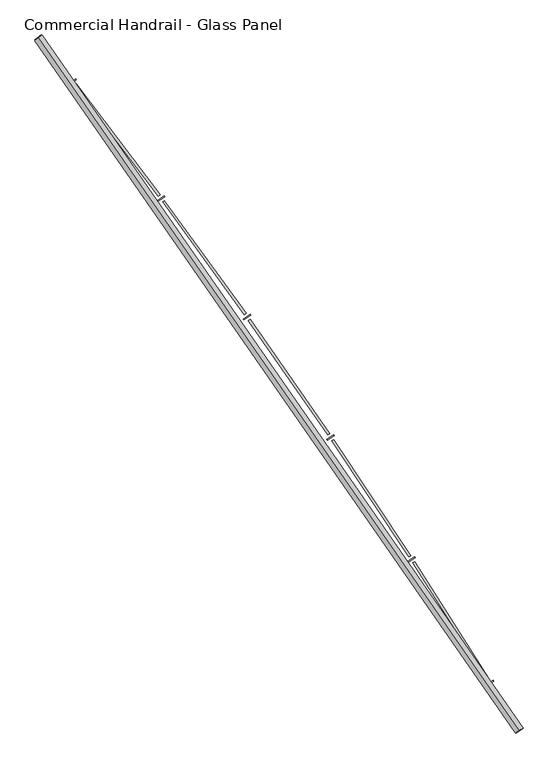
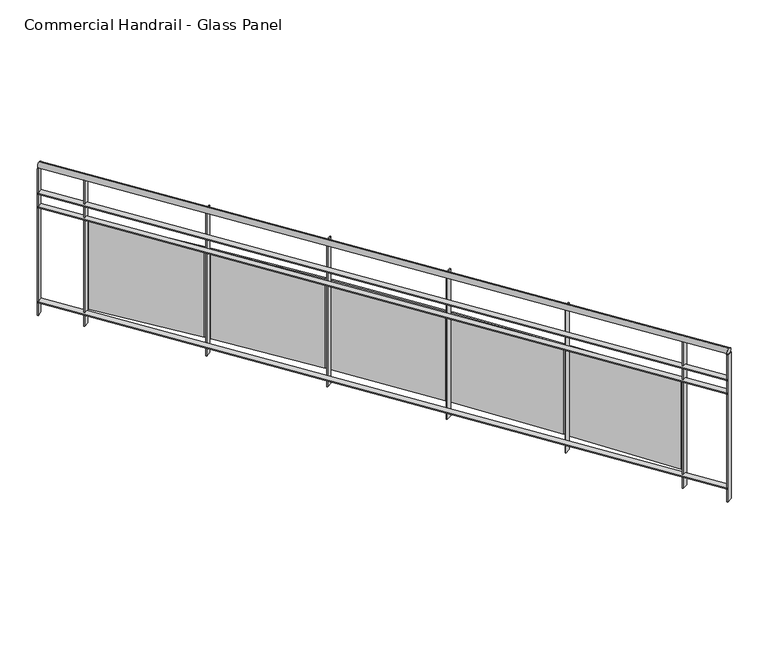
"""IFC4 building model written with IfcOpenShell, lengths in millimetres: railing geometry, Commercial Handrail - Glass Panel."""

from ifc_helpers import new_model, si_unit, point, frame, origin, place, context, project, spatial, polyline, circle_curve, ellipse_curve, trimmed, outline, extrude, source, transform, mapped, element, save
from ifc_brep_helpers import plane_surface, cylinder_surface, revolved_surface, advanced_brep


def commercial_handrail_glass_panel_2162bd76(model_context):
    return source(origin(), model_context, "Body", "SolidModel", [
        advanced_brep(
        [(174947.1226561, -30258.7265853, 26482.5), (172321.2493354, -26475.2644148, 26482.5), (172321.2493354, -26475.2644148, 26517.5), (174947.1226561, -30258.7265853, 26517.5)],
        [
            (0, 1, circle_curve(frame((141591.4318743, -50605.9420988, 26482.5), z_axis=(0.0, 0.0, 1.0), x_axis=(0.7864946016239663, 0.6175971515610791, 0.0)), 39071.873345)),
            (1, 2, ellipse_curve(frame((172321.2493354, -26475.2644148, 26500.0), z_axis=(0.6175971515610738, -0.7864946016239706, 0.0), x_axis=(-0.7864946016239706, -0.6175971515610738, 0.0)), 25.0, 17.5)),
            (2, 3, circle_curve(frame((141591.4318743, -50605.9420988, 26517.5), z_axis=(0.0, 0.0, -1.0), x_axis=(0.7864946016239663, 0.6175971515610791, 0.0)), 39071.873345)),
            (3, 0, ellipse_curve(frame((174947.1226561, -30258.7265853, 26500.0), z_axis=(-0.520763755908061, 0.8537008319853797, 0.0), x_axis=(-0.8537008319853797, -0.520763755908061, 0.0)), 25.0, 17.5)),
            (2, 1, ellipse_curve(frame((172321.2493354, -26475.2644148, 26500.0), z_axis=(0.6175971515610738, -0.7864946016239706, 0.0), x_axis=(-0.7864946016239706, -0.6175971515610738, 0.0)), 25.0, 17.5)),
            (0, 3, ellipse_curve(frame((174947.1226561, -30258.7265853, 26500.0), z_axis=(-0.520763755908061, 0.8537008319853797, 0.0), x_axis=(-0.8537008319853797, -0.520763755908061, 0.0)), 25.0, 17.5)),
        ],
        [
            revolved_surface(trimmed(ellipse_curve(frame((172321.2493354, -26475.2644148, 26500.0), z_axis=(-0.6175971515610791, 0.7864946016239663, 0.0), x_axis=(0.0, 0.0, -1.0)), 17.5, 25.0), [point((172321.2493354, -26475.2644148, 26517.5))], [point((172321.2493354, -26475.2644148, 26482.5))], True, "CARTESIAN"), (141591.4318743, -50605.9420988, 26500.0), (0.0, 0.0, -1.0)),
            revolved_surface(trimmed(ellipse_curve(frame((172321.2493354, -26475.2644148, 26500.0), z_axis=(-0.6175971515610791, 0.7864946016239663, 0.0), x_axis=(0.0, 0.0, -1.0)), 17.5, 25.0), [point((172321.2493354, -26475.2644148, 26482.5))], [point((172321.2493354, -26475.2644148, 26517.5))], True, "CARTESIAN"), (141591.4318743, -50605.9420988, 26500.0), (0.0, 0.0, -1.0)),
            plane_surface(frame((172321.2493354, -26475.2644148, 26500.0), z_axis=(-0.6175971515610791, 0.7864946016239663, 0.0), x_axis=(0.7864946016239663, 0.6175971515610791, 0.0))),
            plane_surface(frame((174947.1226561, -30258.7265853, 26500.0), z_axis=(0.5207637559080605, -0.85370083198538, 0.0), x_axis=(0.85370083198538, 0.5207637559080605, 0.0))),
        ],
        [
            (0, [[1, 2, 3, 4]]),
            (1, [[-3, 5, -1, 6]]),
            (2, [[-2, -5]]),
            (3, [[-6, -4]]),
        ],
    ),
        advanced_brep(
        [(174966.3309248, -30247.0094008, 26300.0), (172338.945464, -26461.3684789, 26300.0), (172303.5532069, -26489.1603507, 26300.0), (174927.9143874, -30270.4437698, 26300.0), (174966.3309248, -30247.0094008, 26294.0), (172338.945464, -26461.3684789, 26294.0), (174927.9143874, -30270.4437698, 26294.0), (172303.5532069, -26489.1603507, 26294.0)],
        [
            (0, 1, circle_curve(frame((141591.4318743, -50605.9420988, 26300.0), z_axis=(0.0, 0.0, 1.0), x_axis=(0.7864946016239663, 0.6175971515610791, 0.0)), 39094.373345)),
            (1, 2),
            (2, 3, circle_curve(frame((141591.4318743, -50605.9420988, 26300.0), z_axis=(0.0, 0.0, -1.0), x_axis=(0.7864946016239663, 0.6175971515610791, 0.0)), 39049.373345)),
            (3, 0),
            (4, 5, circle_curve(frame((141591.4318743, -50605.9420988, 26294.0), z_axis=(0.0, 0.0, 1.0), x_axis=(0.7864946016239663, 0.6175971515610791, 0.0)), 39094.373345)),
            (5, 1),
            (0, 4),
            (6, 7, circle_curve(frame((141591.4318743, -50605.9420988, 26294.0), z_axis=(0.0, 0.0, 1.0), x_axis=(0.7864946016239663, 0.6175971515610791, 0.0)), 39049.373345)),
            (7, 5),
            (4, 6),
            (2, 7),
            (6, 3),
        ],
        [
            plane_surface(frame((141591.4318743, -50605.9420988, 26300.0), z_axis=(0.0, 0.0, 1.0), x_axis=(0.7864946016239663, 0.6175971515610791, 0.0))),
            cylinder_surface(frame((141591.4318743, -50605.9420988, 26300.0), z_axis=(0.0, 0.0, -1.0), x_axis=(0.7864946016239663, 0.6175971515610791, 0.0)), 39094.373345),
            plane_surface(frame((141591.4318743, -50605.9420988, 26294.0), z_axis=(0.0, 0.0, -1.0), x_axis=(0.7864946016239663, 0.6175971515610791, 0.0))),
            revolved_surface(polyline([(172303.55320694132, -26489.160350682872, 26294.0), (172303.55320694132, -26489.160350682872, 26300.0)]), (141591.4318743, -50605.9420988, 26300.0), (0.0, 0.0, -1.0)),
            plane_surface(frame((172321.2493354, -26475.2644148, 26300.0), z_axis=(-0.6175971515610791, 0.7864946016239663, 0.0), x_axis=(0.7864946016239663, 0.6175971515610791, 0.0))),
            plane_surface(frame((174947.1226561, -30258.7265853, 26300.0), z_axis=(0.5207637559080605, -0.85370083198538, 0.0), x_axis=(0.85370083198538, 0.5207637559080605, 0.0))),
        ],
        [
            (0, [[1, 2, 3, 4]]),
            (1, [[5, 6, -1, 7]]),
            (2, [[8, 9, -5, 10]]),
            (3, [[-3, 11, -8, 12]]),
            (4, [[-2, -6, -9, -11]]),
            (5, [[-12, -10, -7, -4]]),
        ],
    ),
        advanced_brep(
        [(174966.3309248, -30247.0094008, 26200.0), (172338.945464, -26461.3684789, 26200.0), (172303.5532069, -26489.1603507, 26200.0), (174927.9143874, -30270.4437698, 26200.0), (174966.3309248, -30247.0094008, 26194.0), (172338.945464, -26461.3684789, 26194.0), (174927.9143874, -30270.4437698, 26194.0), (172303.5532069, -26489.1603507, 26194.0)],
        [
            (0, 1, circle_curve(frame((141591.4318743, -50605.9420988, 26200.0), z_axis=(0.0, 0.0, 1.0), x_axis=(0.7864946016239663, 0.6175971515610791, 0.0)), 39094.373345)),
            (1, 2),
            (2, 3, circle_curve(frame((141591.4318743, -50605.9420988, 26200.0), z_axis=(0.0, 0.0, -1.0), x_axis=(0.7864946016239663, 0.6175971515610791, 0.0)), 39049.373345)),
            (3, 0),
            (4, 5, circle_curve(frame((141591.4318743, -50605.9420988, 26194.0), z_axis=(0.0, 0.0, 1.0), x_axis=(0.7864946016239663, 0.6175971515610791, 0.0)), 39094.373345)),
            (5, 1),
            (0, 4),
            (6, 7, circle_curve(frame((141591.4318743, -50605.9420988, 26194.0), z_axis=(0.0, 0.0, 1.0), x_axis=(0.7864946016239663, 0.6175971515610791, 0.0)), 39049.373345)),
            (7, 5),
            (4, 6),
            (2, 7),
            (6, 3),
        ],
        [
            plane_surface(frame((141591.4318743, -50605.9420988, 26200.0), z_axis=(0.0, 0.0, 1.0), x_axis=(0.7864946016239663, 0.6175971515610791, 0.0))),
            cylinder_surface(frame((141591.4318743, -50605.9420988, 26200.0), z_axis=(0.0, 0.0, -1.0), x_axis=(0.7864946016239663, 0.6175971515610791, 0.0)), 39094.373345),
            plane_surface(frame((141591.4318743, -50605.9420988, 26194.0), z_axis=(0.0, 0.0, -1.0), x_axis=(0.7864946016239663, 0.6175971515610791, 0.0))),
            revolved_surface(polyline([(172303.55320694132, -26489.160350682872, 26194.0), (172303.55320694132, -26489.160350682872, 26200.0)]), (141591.4318743, -50605.9420988, 26200.0), (0.0, 0.0, -1.0)),
            plane_surface(frame((172321.2493354, -26475.2644148, 26200.0), z_axis=(-0.6175971515610791, 0.7864946016239663, 0.0), x_axis=(0.7864946016239663, 0.6175971515610791, 0.0))),
            plane_surface(frame((174947.1226561, -30258.7265853, 26200.0), z_axis=(0.5207637559080605, -0.85370083198538, 0.0), x_axis=(0.85370083198538, 0.5207637559080605, 0.0))),
        ],
        [
            (0, [[1, 2, 3, 4]]),
            (1, [[5, 6, -1, 7]]),
            (2, [[8, 9, -5, 10]]),
            (3, [[-3, 11, -8, 12]]),
            (4, [[-2, -6, -9, -11]]),
            (5, [[-12, -10, -7, -4]]),
        ],
    ),
        advanced_brep(
        [(174966.3309248, -30247.0094008, 25500.0), (172338.945464, -26461.3684789, 25500.0), (172303.5532069, -26489.1603507, 25500.0), (174927.9143874, -30270.4437698, 25500.0), (174966.3309248, -30247.0094008, 25494.0), (172338.945464, -26461.3684789, 25494.0), (174927.9143874, -30270.4437698, 25494.0), (172303.5532069, -26489.1603507, 25494.0)],
        [
            (0, 1, circle_curve(frame((141591.4318743, -50605.9420988, 25500.0), z_axis=(0.0, 0.0, 1.0), x_axis=(0.7864946016239663, 0.6175971515610791, 0.0)), 39094.373345)),
            (1, 2),
            (2, 3, circle_curve(frame((141591.4318743, -50605.9420988, 25500.0), z_axis=(0.0, 0.0, -1.0), x_axis=(0.7864946016239663, 0.6175971515610791, 0.0)), 39049.373345)),
            (3, 0),
            (4, 5, circle_curve(frame((141591.4318743, -50605.9420988, 25494.0), z_axis=(0.0, 0.0, 1.0), x_axis=(0.7864946016239663, 0.6175971515610791, 0.0)), 39094.373345)),
            (5, 1),
            (0, 4),
            (6, 7, circle_curve(frame((141591.4318743, -50605.9420988, 25494.0), z_axis=(0.0, 0.0, 1.0), x_axis=(0.7864946016239663, 0.6175971515610791, 0.0)), 39049.373345)),
            (7, 5),
            (4, 6),
            (2, 7),
            (6, 3),
        ],
        [
            plane_surface(frame((141591.4318743, -50605.9420988, 25500.0), z_axis=(0.0, 0.0, 1.0), x_axis=(0.7864946016239663, 0.6175971515610791, 0.0))),
            cylinder_surface(frame((141591.4318743, -50605.9420988, 25500.0), z_axis=(0.0, 0.0, -1.0), x_axis=(0.7864946016239663, 0.6175971515610791, 0.0)), 39094.373345),
            plane_surface(frame((141591.4318743, -50605.9420988, 25494.0), z_axis=(0.0, 0.0, -1.0), x_axis=(0.7864946016239663, 0.6175971515610791, 0.0))),
            revolved_surface(polyline([(172303.55320694132, -26489.160350682872, 25494.0), (172303.55320694132, -26489.160350682872, 25500.0)]), (141591.4318743, -50605.9420988, 25500.0), (0.0, 0.0, -1.0)),
            plane_surface(frame((172321.2493354, -26475.2644148, 25500.0), z_axis=(-0.6175971515610791, 0.7864946016239663, 0.0), x_axis=(0.7864946016239663, 0.6175971515610791, 0.0))),
            plane_surface(frame((174947.1226561, -30258.7265853, 25500.0), z_axis=(0.5207637559080605, -0.85370083198538, 0.0), x_axis=(0.85370083198538, 0.5207637559080605, 0.0))),
        ],
        [
            (0, [[1, 2, 3, 4]]),
            (1, [[5, 6, -1, 7]]),
            (2, [[8, 9, -5, 10]]),
            (3, [[-3, 11, -8, 12]]),
            (4, [[-2, -6, -9, -11]]),
            (5, [[-12, -10, -7, -4]]),
        ],
    ),
        extrude(outline(polyline([(174767.0827529, -30009.1035934), (174805.3157733, -29985.3709966), (174808.4801195, -29990.4687326), (174770.2470991, -30014.2013295), (174767.0827529, -30009.1035934)])), frame((0.0, 0.0, 25400.0), z_axis=(0.0, 0.0, 1.0), x_axis=(1.0, 0.0, 0.0)), (0.0, 0.0, 1.0), 1082.1192282),
        extrude(outline(polyline([(174376.4508905, -29337.0184477), (174783.8574789, -29978.5945319), (174773.7273302, -29985.0272675), (174366.3207418, -29343.4511834), (174376.4508905, -29337.0184477)])), frame((0.0, 0.0, 25520.0), z_axis=(0.0, 0.0, 1.0), x_axis=(1.0, 0.0, 0.0)), (0.0, 0.0, 1.0), 660.0),
        extrude(outline(polyline([(174338.4363039, -29334.1939685), (174376.1754174, -29309.6835764), (174379.4434696, -29314.7154582), (174341.7043562, -29339.2258503), (174338.4363039, -29334.1939685)])), frame((0.0, 0.0, 25400.0), z_axis=(0.0, 0.0, 1.0), x_axis=(1.0, 0.0, 0.0)), (0.0, 0.0, 1.0), 1082.1192282),
        extrude(outline(polyline([(173934.1262806, -28670.2473592), (174354.5828818, -29303.3478619), (174344.5865581, -29309.9866503), (173924.1299568, -28676.8861476), (173934.1262806, -28670.2473592)])), frame((0.0, 0.0, 25520.0), z_axis=(0.0, 0.0, 1.0), x_axis=(1.0, 0.0, 0.0)), (0.0, 0.0, 1.0), 660.0),
        extrude(outline(polyline([(173896.0618347, -28668.2017695), (173933.2912204, -28642.9238574), (173936.6616087, -28647.8877755), (173899.432223, -28673.1656876), (173896.0618347, -28668.2017695)])), frame((0.0, 0.0, 25400.0), z_axis=(0.0, 0.0, 1.0), x_axis=(1.0, 0.0, 0.0)), (0.0, 0.0, 1.0), 1082.1192282),
        extrude(outline(polyline([(173478.243143, -28012.6720327), (173911.5734956, -28637.031549), (173901.7151874, -28643.8736072), (173468.3848349, -28019.5140909), (173478.243143, -28012.6720327)])), frame((0.0, 0.0, 25520.0), z_axis=(0.0, 0.0, 1.0), x_axis=(1.0, 0.0, 0.0)), (0.0, 0.0, 1.0), 660.0),
        extrude(outline(polyline([(173440.1447951, -28011.4061902), (173476.848846, -27985.3713549), (173480.3201573, -27990.2652284), (173443.6161065, -28016.3000637), (173440.1447951, -28011.4061902)])), frame((0.0, 0.0, 25400.0), z_axis=(0.0, 0.0, 1.0), x_axis=(1.0, 0.0, 0.0)), (0.0, 0.0, 1.0), 1082.1192282),
        extrude(outline(polyline([(173008.9925907, -27364.5681335), (173455.0150362, -27979.9249228), (173445.2988764, -27986.9673824), (172999.2764309, -27371.6105932), (173008.9925907, -27364.5681335)])), frame((0.0, 0.0, 25520.0), z_axis=(0.0, 0.0, 1.0), x_axis=(1.0, 0.0, 0.0)), (0.0, 0.0, 1.0), 660.0),
        extrude(outline(polyline([(172970.876312, -27364.0825688), (173007.0396412, -27337.3017244), (173010.6104205, -27342.1235017), (172974.4470913, -27368.904346), (172970.876312, -27364.0825688)])), frame((0.0, 0.0, 25400.0), z_axis=(0.0, 0.0, 1.0), x_axis=(1.0, 0.0, 0.0)), (0.0, 0.0, 1.0), 1082.1192282),
        extrude(outline(polyline([(172526.5713403, -26726.207356), (172985.0988996, -27332.3034518), (172975.5289613, -27339.5433607), (172517.0014019, -26733.4472649), (172526.5713403, -26726.207356)])), frame((0.0, 0.0, 25520.0), z_axis=(0.0, 0.0, 1.0), x_axis=(1.0, 0.0, 0.0)), (0.0, 0.0, 1.0), 660.0),
        extrude(outline(polyline([(172488.4531098, -26726.5022727), (172524.0605571, -26698.9866462), (172527.7293072, -26703.7343059), (172492.12186, -26731.2499323), (172488.4531098, -26726.5022727)])), frame((0.0, 0.0, 25400.0), z_axis=(0.0, 0.0, 1.0), x_axis=(1.0, 0.0, 0.0)), (0.0, 0.0, 1.0), 1082.1192282),
        extrude(outline(polyline([(174926.3520961, -30267.8826673), (174964.7686336, -30244.4482983), (174967.8932161, -30249.5705033), (174929.4766787, -30273.0048723), (174926.3520961, -30267.8826673)])), frame((0.0, 0.0, 25400.0), z_axis=(0.0, 0.0, 1.0), x_axis=(1.0, 0.0, 0.0)), (0.0, 0.0, 1.0), 1082.1192282),
        extrude(outline(polyline([(172301.7004154, -26486.8008669), (172337.0926725, -26459.0089951), (172340.7982554, -26463.7279627), (172305.4059984, -26491.5198345), (172301.7004154, -26486.8008669)])), frame((0.0, 0.0, 25400.0), z_axis=(0.0, 0.0, 1.0), x_axis=(1.0, 0.0, 0.0)), (0.0, 0.0, 1.0), 1082.1192282),
    ])


if __name__ == "__main__":
    model = new_model("IFC4")
    model_context = context("Model", 3, world=origin())
    ifc_project = project(units=[si_unit("LENGTHUNIT", "METRE", prefix="MILLI")], contexts=[model_context])
    site = spatial("IfcSite", under=ifc_project)
    building = spatial("IfcBuilding", under=site)
    placement = place(None, origin())
    commercial_handrail_glass_panel_shape = commercial_handrail_glass_panel_2162bd76(model_context)
    element("IfcRailing", 1, ObjectType="Commercial Handrail - Glass Panel", at=placement, inside=building, context=model_context, shape_type="MappedRepresentation", body=[
        mapped(commercial_handrail_glass_panel_shape, transform((0.0, 0.0, 0.0), x_axis=(1.0, 0.0, 0.0), y_axis=(0.0, 1.0, 0.0), z_axis=(0.0, 0.0, 1.0))),
    ])
    save(model, "model.ifc")
